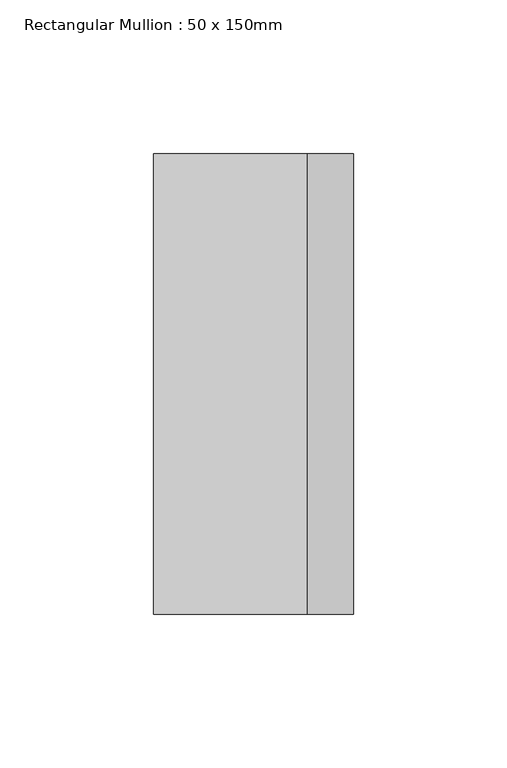
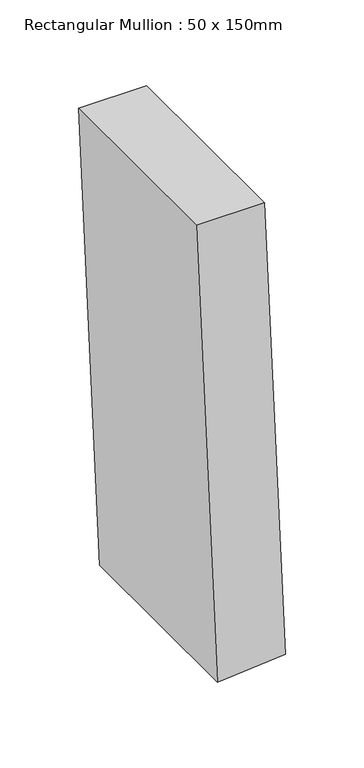
"""IFC4 building model written with IfcOpenShell, lengths in millimetres: member geometry, Rectangular Mullion : 50 x 150mm."""

from ifc_helpers import new_model, si_unit, point, frame, frame_2d, origin, place, context, project, spatial, polyline, circle_curve, trimmed, segment, composite_curve, outline, extrude, source, transform, mapped, element, save


def rectangular_mullion_50_x_150mm_6b18bb1c(model_context):
    return source(origin(), model_context, "Body", "SweptSolid", [
        extrude(outline(composite_curve([segment(trimmed(circle_curve(frame_2d((0.0, 4163.3746925)), 4163.3746925), [point((-355.7278346, 15.2249197))], [point((0.0, 0.0))], True, "CARTESIAN"), True, "CONTINUOUS"), segment(polyline([(0.0, 0.0), (0.0, -50.0)]), True, "CONTINUOUS"), segment(trimmed(circle_curve(frame_2d((0.0, 4163.3746925)), 4213.3746925), [point((0.0, -50.0))], [point((-359.9999439, -34.5922368))], False, "CARTESIAN"), True, "CONTINUOUS"), segment(polyline([(-359.9999439, -34.5922368), (-355.7278346, 15.2249197)]), True, "CONTINUOUS")], self_intersect=False)), frame((0.0, -75.0, 0.0), z_axis=(0.0, 1.0, 0.0), x_axis=(0.0, 0.0, 1.0)), (0.0, 0.0, 1.0), 150.0),
    ])


if __name__ == "__main__":
    model = new_model("IFC4")
    model_context = context("Model", 3, world=origin())
    ifc_project = project(units=[si_unit("LENGTHUNIT", "METRE", prefix="MILLI")], contexts=[model_context])
    site = spatial("IfcSite", under=ifc_project)
    building = spatial("IfcBuilding", under=site)
    placement = place(None, origin())
    rectangular_mullion_50_x_150mm_shape = rectangular_mullion_50_x_150mm_6b18bb1c(model_context)
    element("IfcMember", 1, ObjectType="Rectangular Mullion : 50 x 150mm", at=placement, inside=building, context=model_context, shape_type="MappedRepresentation", body=[
        mapped(rectangular_mullion_50_x_150mm_shape, transform((0.0, 0.0, 0.0), x_axis=(1.0, 0.0, 0.0), y_axis=(0.0, 1.0, 0.0), z_axis=(0.0, 0.0, 1.0))),
    ])
    save(model, "model.ifc")
